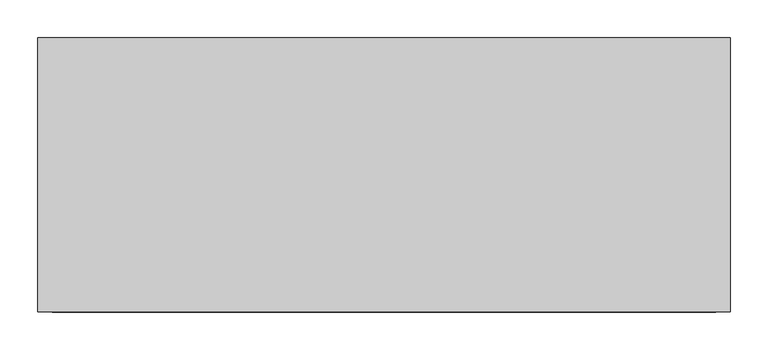
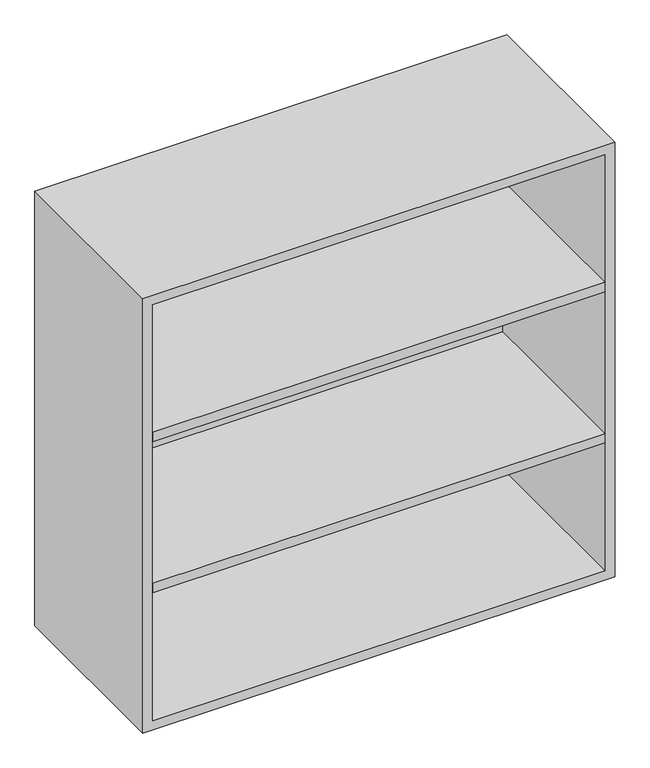
"""IFC4 building model written with IfcOpenShell, lengths in millimetres: furniture geometry."""

from ifc_helpers import new_model, si_unit, frame, origin, place, context, project, spatial, polyline, outline, extrude, source, transform, mapped, element, save


def furniture_7c35eb84(model_context):
    return source(origin(), model_context, "Body", "SweptSolid", [
        extrude(outline(polyline([(438.1569453, 161.925), (438.1569453, -180.975), (-438.1291641, -180.975), (-438.1291641, 161.925), (438.1569453, 161.925)])), frame((0.0, 0.0, 1326.0916667), z_axis=(0.0, 0.0, 1.0), x_axis=(1.0, 0.0, 0.0)), (0.0, 0.0, 1.0), 19.05),
        extrude(outline(polyline([(438.1569453, 161.925), (438.1569453, -180.975), (-438.1291641, -180.975), (-438.1291641, 161.925), (438.1569453, 161.925)])), frame((0.0, 0.0, 1017.0583333), z_axis=(0.0, 0.0, 1.0), x_axis=(1.0, 0.0, 0.0)), (0.0, 0.0, 1.0), 19.05),
        extrude(outline(polyline([(736.6, -457.1861094), (736.6, 457.2138906), (1625.6, 457.2138906), (1625.6, -457.1861094), (736.6, -457.1861094)]), holes=[polyline([(755.65, -438.1361094), (1606.55, -438.1361094), (1606.55, 438.1569453), (755.65, 438.1569453), (755.65, -438.1361094)])]), frame((0.0, -180.975, 0.0), z_axis=(0.0, 1.0, 0.0), x_axis=(0.0, 0.0, 1.0)), (0.0, 0.0, 1.0), 361.95),
        extrude(outline(polyline([(-438.1291641, 161.925), (-438.1291641, 180.975), (438.1569453, 180.975), (438.1569453, 161.925), (-438.1291641, 161.925)])), frame((0.0, 0.0, 755.65), z_axis=(0.0, 0.0, 1.0), x_axis=(1.0, 0.0, 0.0)), (0.0, 0.0, 1.0), 850.9),
    ])


if __name__ == "__main__":
    model = new_model("IFC4")
    model_context = context("Model", 3, world=origin())
    ifc_project = project(units=[si_unit("LENGTHUNIT", "METRE", prefix="MILLI")], contexts=[model_context])
    site = spatial("IfcSite", under=ifc_project)
    building = spatial("IfcBuilding", under=site)
    placement = place(None, origin())
    furniture_shape = furniture_7c35eb84(model_context)
    element("IfcFurniture", 1, at=placement, inside=building, context=model_context, shape_type="MappedRepresentation", body=[
        mapped(furniture_shape, transform((0.0, 0.0, 0.0), x_axis=(1.0, 0.0, 0.0), y_axis=(0.0, 1.0, 0.0), z_axis=(0.0, 0.0, 1.0))),
    ])
    save(model, "model.ifc")
